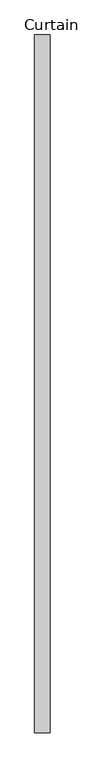
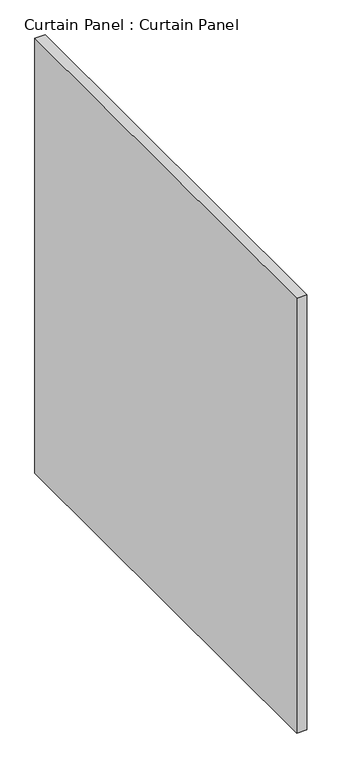
"""IFC4 building model written with IfcOpenShell, lengths in millimetres: plate geometry, Curtain Panel : Curtain Panel."""

from ifc_helpers import new_model, si_unit, frame, origin, place, context, project, spatial, polyline, outline, extrude, source, transform, mapped, element, save


def curtain_panel_curtain_panel_d2fbdfaa(model_context):
    return source(origin(), model_context, "Body", "SweptSolid", [
        extrude(outline(polyline([(-411398.1205803, 7153.1414426), (-411398.1205803, 6014.0112003), (-411423.5205803, 6014.0112003), (-411423.5205803, 7153.1414426), (-411398.1205803, 7153.1414426)])), frame((0.0, 0.0, 1250.95), z_axis=(0.0, 0.0, 1.0), x_axis=(1.0, 0.0, 0.0)), (0.0, 0.0, 1.0), 1155.7),
    ])


if __name__ == "__main__":
    model = new_model("IFC4")
    model_context = context("Model", 3, world=origin())
    ifc_project = project(units=[si_unit("LENGTHUNIT", "METRE", prefix="MILLI")], contexts=[model_context])
    site = spatial("IfcSite", under=ifc_project)
    building = spatial("IfcBuilding", under=site)
    placement = place(None, origin())
    curtain_panel_curtain_panel_shape = curtain_panel_curtain_panel_d2fbdfaa(model_context)
    element("IfcPlate", 1, ObjectType="Curtain Panel : Curtain Panel", at=placement, inside=building, context=model_context, shape_type="MappedRepresentation", body=[
        mapped(curtain_panel_curtain_panel_shape, transform((0.0, 0.0, 0.0), x_axis=(1.0, 0.0, 0.0), y_axis=(0.0, 1.0, 0.0), z_axis=(0.0, 0.0, 1.0))),
    ])
    save(model, "model.ifc")
